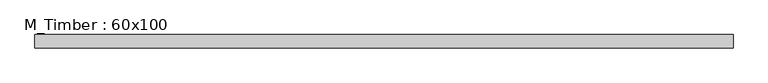
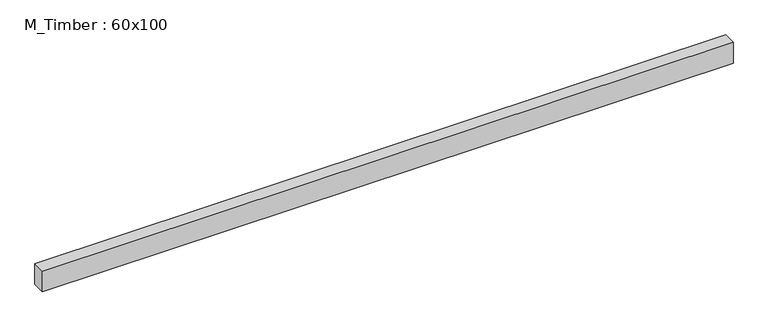
"""IFC4 building model written with IfcOpenShell, lengths in millimetres: beam geometry, M_Timber : 60x100."""

from ifc_helpers import new_model, si_unit, frame, origin, place, context, project, spatial, polyline, outline, extrude, source, transform, mapped, element, save


def m_timber_60x100_a9008b51(model_context):
    return source(origin(), model_context, "Body", "SweptSolid", [
        extrude(outline(polyline([(1674.6824197, 30.0), (1674.6824197, -30.0), (-1488.2899377, -30.0), (-1488.2899377, 30.0), (1674.6824197, 30.0)])), frame((0.0, 0.0, -50.0), z_axis=(0.0, 0.0, 1.0), x_axis=(1.0, 0.0, 0.0)), (0.0, 0.0, 1.0), 100.0),
    ])


if __name__ == "__main__":
    model = new_model("IFC4")
    model_context = context("Model", 3, world=origin())
    ifc_project = project(units=[si_unit("LENGTHUNIT", "METRE", prefix="MILLI")], contexts=[model_context])
    site = spatial("IfcSite", under=ifc_project)
    building = spatial("IfcBuilding", under=site)
    placement = place(None, origin())
    m_timber_60x100_shape = m_timber_60x100_a9008b51(model_context)
    element("IfcBeam", 1, ObjectType="M_Timber : 60x100", at=placement, inside=building, context=model_context, shape_type="MappedRepresentation", body=[
        mapped(m_timber_60x100_shape, transform((0.0, 0.0, 0.0), x_axis=(1.0, 0.0, 0.0), y_axis=(0.0, 1.0, 0.0), z_axis=(0.0, 0.0, 1.0))),
    ])
    save(model, "model.ifc")
